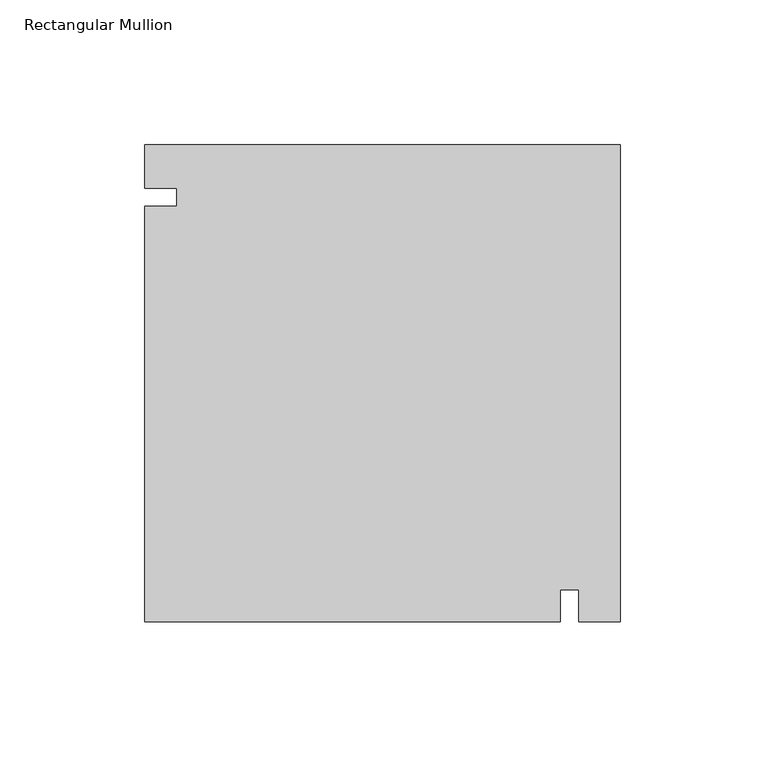
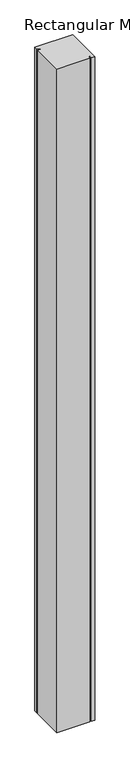
"""IFC4 building model written with IfcOpenShell, lengths in millimetres: member geometry, Rectangular Mullion."""

from ifc_helpers import new_model, si_unit, frame, origin, place, context, project, spatial, polyline, outline, extrude, source, transform, mapped, element, save


def rectangular_mullion_4fd56edf(model_context):
    return source(origin(), model_context, "Body", "SweptSolid", [
        extrude(outline(polyline([(-164.5254737, 46.7443828), (-153.4129737, 46.7443828), (-153.4129737, 52.9385575), (-164.5254737, 52.9385575), (-164.5254737, 68.048613), (0.0, 68.048613), (0.0, -97.0513731), (-14.3327016, -97.0513731), (-14.3327016, -85.9388731), (-20.6827016, -85.9388731), (-20.6827016, -97.0513731), (-164.5254737, -97.0513731), (-164.5254737, 46.7443828)])), frame((0.0, 0.0, -3048.0), z_axis=(0.0, 0.0, 1.0), x_axis=(1.0, 0.0, 0.0)), (0.0, 0.0, 1.0), 3048.0),
    ])


if __name__ == "__main__":
    model = new_model("IFC4")
    model_context = context("Model", 3, world=origin())
    ifc_project = project(units=[si_unit("LENGTHUNIT", "METRE", prefix="MILLI")], contexts=[model_context])
    site = spatial("IfcSite", under=ifc_project)
    building = spatial("IfcBuilding", under=site)
    placement = place(None, origin())
    rectangular_mullion_shape = rectangular_mullion_4fd56edf(model_context)
    element("IfcMember", 1, ObjectType="Rectangular Mullion", at=placement, inside=building, context=model_context, shape_type="MappedRepresentation", body=[
        mapped(rectangular_mullion_shape, transform((0.0, 0.0, 0.0), x_axis=(1.0, 0.0, 0.0), y_axis=(0.0, 1.0, 0.0), z_axis=(0.0, 0.0, 1.0))),
    ])
    save(model, "model.ifc")
